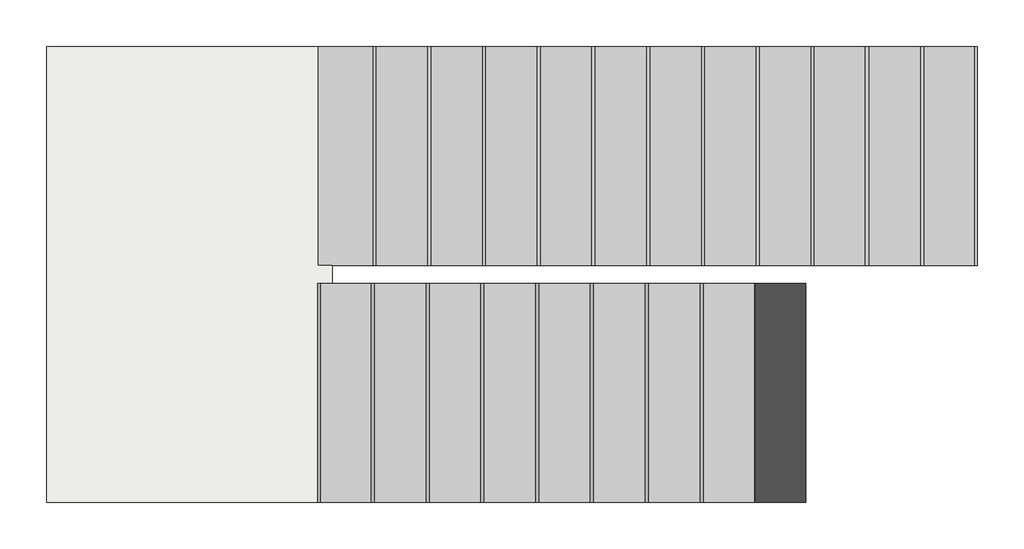
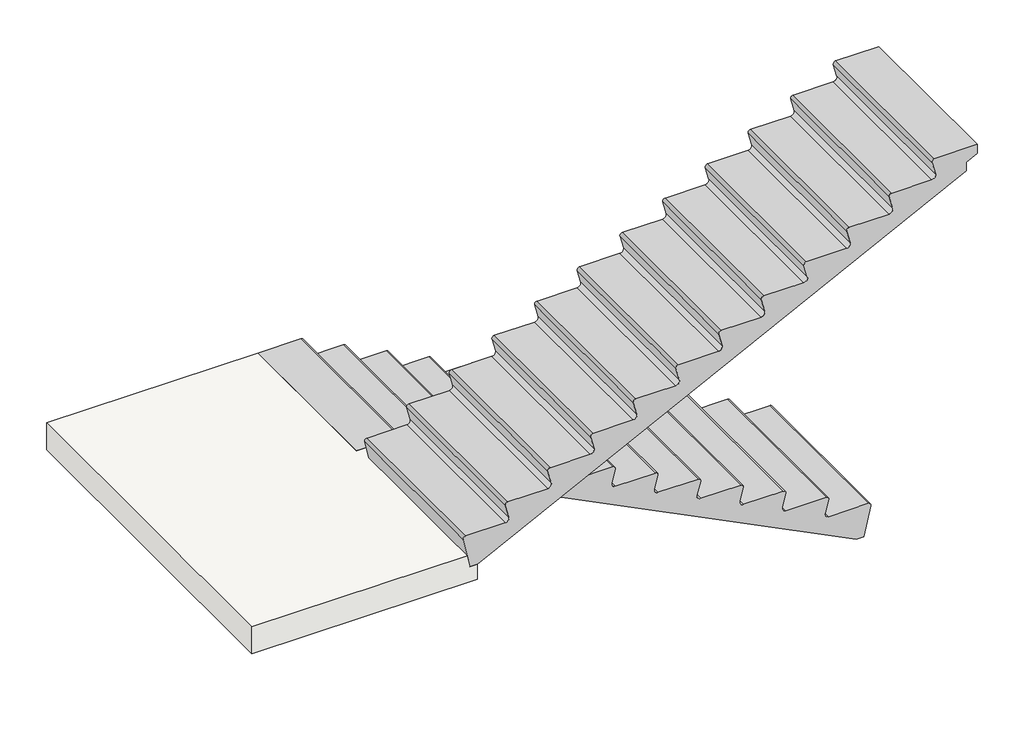
# One storey: 2 beams, 1 slab.
"""IFC4 building model written with IfcOpenShell, lengths in millimetres."""

from ifc_helpers import new_model, si_unit, frame, origin, place, context, project, spatial, polyline, circle_curve, faceted_brep, element, save
from ifc_brep_helpers import plane_surface, cylinder_surface, revolved_surface, advanced_brep

model = new_model("IFC4")

# Units and contexts
model_context = context("Model", 3, world=origin())
ifc_project = project(units=[si_unit("LENGTHUNIT", "METRE", prefix="MILLI")], contexts=[model_context])

# Site, building, storey
site = spatial("IfcSite", under=ifc_project)
building = spatial("IfcBuilding", under=site)
storey = spatial("IfcBuildingStorey", under=building, Elevation=1765.0)

# Beams
placement = place(None, origin())
element("IfcBeam", 1, at=placement, inside=storey, context=model_context, shape_type="AdvancedBrep", body=[
    advanced_brep(
    [(6795.0278191, 13422.6573753, 2192.4989013), (6795.0278191, 12222.6573753, 2192.4989013), (6812.4559604, 12222.6573753, 2215.0), (6812.4559604, 13422.6573753, 2215.0), (6819.6797218, 13422.6573753, 2097.3057005), (6819.6797218, 12222.6573753, 2097.3057005), (6512.4559604, 13422.6573753, 2065.0), (6512.4559604, 12222.6573753, 2065.0), (6794.4559604, 12222.6573753, 2065.0), (6794.4559604, 13422.6573753, 2065.0), (6519.6797218, 13422.6573753, 1947.3057005), (6519.6797218, 12222.6573753, 1947.3057005), (6495.0278191, 12222.6573753, 2042.4989013), (6495.0278191, 13422.6573753, 2042.4989013), (6216.8948506, 13422.6573753, 1915.0), (6216.8948506, 12222.6573753, 1915.0), (6494.4559604, 12222.6573753, 1915.0), (6494.4559604, 13422.6573753, 1915.0), (6199.4667092, 12222.6573753, 1892.4989015), (6227.8593217, 12222.6573753, 1765.0), (6247.4559604, 12222.6573753, 1677.0), (6299.4559604, 12222.6573753, 1677.0), (9734.4559604, 12222.6573753, 3396.0), (9734.4559604, 12222.6573753, 3461.0), (9814.4559604, 12222.6573753, 3500.0), (9814.4559604, 12222.6573753, 3565.0), (9512.4559604, 12222.6573753, 3565.0), (9495.0278191, 12222.6573753, 3542.4989013), (9519.6797218, 12222.6573753, 3447.3057005), (9494.4559604, 12222.6573753, 3415.0), (9212.4559604, 12222.6573753, 3415.0), (9195.0278191, 12222.6573753, 3392.4989013), (9219.6797218, 12222.6573753, 3297.3057005), (9194.4559604, 12222.6573753, 3265.0), (8912.4559604, 12222.6573753, 3265.0), (8895.0278191, 12222.6573753, 3242.4989013), (8919.6797218, 12222.6573753, 3147.3057005), (8894.4559604, 12222.6573753, 3115.0), (8612.4559604, 12222.6573753, 3115.0), (8595.0278191, 12222.6573753, 3092.4989013), (8619.6797218, 12222.6573753, 2997.3057005), (8594.4559604, 12222.6573753, 2965.0), (8312.4559604, 12222.6573753, 2965.0), (8295.0278191, 12222.6573753, 2942.4989013), (8319.6797218, 12222.6573753, 2847.3057005), (8294.4559604, 12222.6573753, 2815.0), (8012.4559604, 12222.6573753, 2815.0), (7995.0278191, 12222.6573753, 2792.4989013), (8019.6797218, 12222.6573753, 2697.3057005), (7994.4559604, 12222.6573753, 2665.0), (7712.4559604, 12222.6573753, 2665.0), (7695.0278191, 12222.6573753, 2642.4989013), (7719.6797218, 12222.6573753, 2547.3057005), (7694.4559604, 12222.6573753, 2515.0), (7412.4559604, 12222.6573753, 2515.0), (7395.0278191, 12222.6573753, 2492.4989013), (7419.6797218, 12222.6573753, 2397.3057005), (7394.4559604, 12222.6573753, 2365.0), (7112.4559604, 12222.6573753, 2365.0), (7095.0278191, 12222.6573753, 2342.4989013), (7119.6797218, 12222.6573753, 2247.3057005), (7094.4559604, 12222.6573753, 2215.0), (7094.4559604, 13422.6573753, 2215.0), (7119.6797218, 13422.6573753, 2247.3057005), (7095.0278191, 13422.6573753, 2342.4989013), (7112.4559604, 13422.6573753, 2365.0), (7394.4559604, 13422.6573753, 2365.0), (7419.6797218, 13422.6573753, 2397.3057005), (7395.0278191, 13422.6573753, 2492.4989013), (7412.4559604, 13422.6573753, 2515.0), (7694.4559604, 13422.6573753, 2515.0), (7719.6797218, 13422.6573753, 2547.3057005), (7695.0278191, 13422.6573753, 2642.4989013), (7712.4559604, 13422.6573753, 2665.0), (7994.4559604, 13422.6573753, 2665.0), (8019.6797218, 13422.6573753, 2697.3057005), (7995.0278191, 13422.6573753, 2792.4989013), (8012.4559604, 13422.6573753, 2815.0), (8294.4559604, 13422.6573753, 2815.0), (8319.6797218, 13422.6573753, 2847.3057005), (8295.0278191, 13422.6573753, 2942.4989013), (8312.4559604, 13422.6573753, 2965.0), (8594.4559604, 13422.6573753, 2965.0), (8619.6797218, 13422.6573753, 2997.3057005), (8595.0278191, 13422.6573753, 3092.4989013), (8612.4559604, 13422.6573753, 3115.0), (8894.4559604, 13422.6573753, 3115.0), (8919.6797218, 13422.6573753, 3147.3057005), (8895.0278191, 13422.6573753, 3242.4989013), (8912.4559604, 13422.6573753, 3265.0), (9194.4559604, 13422.6573753, 3265.0), (9219.6797218, 13422.6573753, 3297.3057005), (9195.0278191, 13422.6573753, 3392.4989013), (9212.4559604, 13422.6573753, 3415.0), (9494.4559604, 13422.6573753, 3415.0), (9519.6797218, 13422.6573753, 3447.3057005), (9495.0278191, 13422.6573753, 3542.4989013), (9512.4559604, 13422.6573753, 3565.0), (9814.4559604, 13422.6573753, 3565.0), (9814.4559604, 13422.6573753, 3500.0), (9734.4559604, 13422.6573753, 3461.0), (9734.4559604, 13422.6573753, 3396.0), (6299.4559604, 13422.6573753, 1677.0), (6278.8948506, 13422.6573753, 1677.0), (6247.4559604, 13422.6573753, 1677.0), (6227.8593217, 13422.6573753, 1765.0), (6199.4667092, 13422.6573753, 1892.4989015)],
    [
        (0, 1),
        (1, 2, circle_curve(frame((6812.4559604, 12222.6573753, 2197.0), z_axis=(0.0, 1.0, 0.0), x_axis=(1.0, 0.0, 0.0)), 18.0)),
        (2, 3),
        (3, 0, circle_curve(frame((6812.4559604, 13422.6573753, 2197.0), z_axis=(0.0, -1.0, 0.0), x_axis=(1.0, 0.0, 0.0)), 18.0)),
        (4, 5),
        (5, 1),
        (0, 4),
        (6, 7),
        (7, 8),
        (8, 9),
        (9, 6),
        (10, 11),
        (11, 12),
        (12, 13),
        (13, 10),
        (14, 15),
        (15, 16),
        (16, 17),
        (17, 14),
        (15, 18, circle_curve(frame((6216.8948506, 12222.6573753, 1897.0), z_axis=(0.0, -1.0, 0.0), x_axis=(1.0, 0.0, 0.0)), 18.0)),
        (18, 19),
        (19, 20),
        (20, 21),
        (21, 22),
        (22, 23),
        (23, 24),
        (24, 25),
        (25, 26),
        (26, 27, circle_curve(frame((9512.4559604, 12222.6573753, 3547.0), z_axis=(0.0, -1.0, 0.0), x_axis=(1.0, 0.0, 0.0)), 18.0)),
        (27, 28),
        (28, 29, circle_curve(frame((9494.4559604, 12222.6573753, 3441.0), z_axis=(0.0, 1.0, 0.0), x_axis=(1.0, 0.0, 0.0)), 26.0)),
        (29, 30),
        (30, 31, circle_curve(frame((9212.4559604, 12222.6573753, 3397.0), z_axis=(0.0, -1.0, 0.0), x_axis=(1.0, 0.0, 0.0)), 18.0)),
        (31, 32),
        (32, 33, circle_curve(frame((9194.4559604, 12222.6573753, 3291.0), z_axis=(0.0, 1.0, 0.0), x_axis=(1.0, 0.0, 0.0)), 26.0)),
        (33, 34),
        (34, 35, circle_curve(frame((8912.4559604, 12222.6573753, 3247.0), z_axis=(0.0, -1.0, 0.0), x_axis=(1.0, 0.0, 0.0)), 18.0)),
        (35, 36),
        (36, 37, circle_curve(frame((8894.4559604, 12222.6573753, 3141.0), z_axis=(0.0, 1.0, 0.0), x_axis=(1.0, 0.0, 0.0)), 26.0)),
        (37, 38),
        (38, 39, circle_curve(frame((8612.4559604, 12222.6573753, 3097.0), z_axis=(0.0, -1.0, 0.0), x_axis=(1.0, 0.0, 0.0)), 18.0)),
        (39, 40),
        (40, 41, circle_curve(frame((8594.4559604, 12222.6573753, 2991.0), z_axis=(0.0, 1.0, 0.0), x_axis=(1.0, 0.0, 0.0)), 26.0)),
        (41, 42),
        (42, 43, circle_curve(frame((8312.4559604, 12222.6573753, 2947.0), z_axis=(0.0, -1.0, 0.0), x_axis=(1.0, 0.0, 0.0)), 18.0)),
        (43, 44),
        (44, 45, circle_curve(frame((8294.4559604, 12222.6573753, 2841.0), z_axis=(0.0, 1.0, 0.0), x_axis=(1.0, 0.0, 0.0)), 26.0)),
        (45, 46),
        (46, 47, circle_curve(frame((8012.4559604, 12222.6573753, 2797.0), z_axis=(0.0, -1.0, 0.0), x_axis=(1.0, 0.0, 0.0)), 18.0)),
        (47, 48),
        (48, 49, circle_curve(frame((7994.4559604, 12222.6573753, 2691.0), z_axis=(0.0, 1.0, 0.0), x_axis=(1.0, 0.0, 0.0)), 26.0)),
        (49, 50),
        (50, 51, circle_curve(frame((7712.4559604, 12222.6573753, 2647.0), z_axis=(0.0, -1.0, 0.0), x_axis=(1.0, 0.0, 0.0)), 18.0)),
        (51, 52),
        (52, 53, circle_curve(frame((7694.4559604, 12222.6573753, 2541.0), z_axis=(0.0, 1.0, 0.0), x_axis=(1.0, 0.0, 0.0)), 26.0)),
        (53, 54),
        (54, 55, circle_curve(frame((7412.4559604, 12222.6573753, 2497.0), z_axis=(0.0, -1.0, 0.0), x_axis=(1.0, 0.0, 0.0)), 18.0)),
        (55, 56),
        (56, 57, circle_curve(frame((7394.4559604, 12222.6573753, 2391.0), z_axis=(0.0, 1.0, 0.0), x_axis=(1.0, 0.0, 0.0)), 26.0)),
        (57, 58),
        (58, 59, circle_curve(frame((7112.4559604, 12222.6573753, 2347.0), z_axis=(0.0, -1.0, 0.0), x_axis=(1.0, 0.0, 0.0)), 18.0)),
        (59, 60),
        (60, 61, circle_curve(frame((7094.4559604, 12222.6573753, 2241.0), z_axis=(0.0, 1.0, 0.0), x_axis=(1.0, 0.0, 0.0)), 26.0)),
        (61, 2),
        (5, 8, circle_curve(frame((6794.4559604, 12222.6573753, 2091.0), z_axis=(0.0, 1.0, 0.0), x_axis=(1.0, 0.0, 0.0)), 26.0)),
        (7, 12, circle_curve(frame((6512.4559604, 12222.6573753, 2047.0), z_axis=(0.0, -1.0, 0.0), x_axis=(1.0, 0.0, 0.0)), 18.0)),
        (11, 16, circle_curve(frame((6494.4559604, 12222.6573753, 1941.0), z_axis=(0.0, 1.0, 0.0), x_axis=(1.0, 0.0, 0.0)), 26.0)),
        (17, 10, circle_curve(frame((6494.4559604, 13422.6573753, 1941.0), z_axis=(0.0, -1.0, 0.0), x_axis=(1.0, 0.0, 0.0)), 26.0)),
        (13, 6, circle_curve(frame((6512.4559604, 13422.6573753, 2047.0), z_axis=(0.0, 1.0, 0.0), x_axis=(1.0, 0.0, 0.0)), 18.0)),
        (9, 4, circle_curve(frame((6794.4559604, 13422.6573753, 2091.0), z_axis=(0.0, -1.0, 0.0), x_axis=(1.0, 0.0, 0.0)), 26.0)),
        (3, 62),
        (62, 63, circle_curve(frame((7094.4559604, 13422.6573753, 2241.0), z_axis=(0.0, -1.0, 0.0), x_axis=(1.0, 0.0, 0.0)), 26.0)),
        (63, 64),
        (64, 65, circle_curve(frame((7112.4559604, 13422.6573753, 2347.0), z_axis=(0.0, 1.0, 0.0), x_axis=(1.0, 0.0, 0.0)), 18.0)),
        (65, 66),
        (66, 67, circle_curve(frame((7394.4559604, 13422.6573753, 2391.0), z_axis=(0.0, -1.0, 0.0), x_axis=(1.0, 0.0, 0.0)), 26.0)),
        (67, 68),
        (68, 69, circle_curve(frame((7412.4559604, 13422.6573753, 2497.0), z_axis=(0.0, 1.0, 0.0), x_axis=(1.0, 0.0, 0.0)), 18.0)),
        (69, 70),
        (70, 71, circle_curve(frame((7694.4559604, 13422.6573753, 2541.0), z_axis=(0.0, -1.0, 0.0), x_axis=(1.0, 0.0, 0.0)), 26.0)),
        (71, 72),
        (72, 73, circle_curve(frame((7712.4559604, 13422.6573753, 2647.0), z_axis=(0.0, 1.0, 0.0), x_axis=(1.0, 0.0, 0.0)), 18.0)),
        (73, 74),
        (74, 75, circle_curve(frame((7994.4559604, 13422.6573753, 2691.0), z_axis=(0.0, -1.0, 0.0), x_axis=(1.0, 0.0, 0.0)), 26.0)),
        (75, 76),
        (76, 77, circle_curve(frame((8012.4559604, 13422.6573753, 2797.0), z_axis=(0.0, 1.0, 0.0), x_axis=(1.0, 0.0, 0.0)), 18.0)),
        (77, 78),
        (78, 79, circle_curve(frame((8294.4559604, 13422.6573753, 2841.0), z_axis=(0.0, -1.0, 0.0), x_axis=(1.0, 0.0, 0.0)), 26.0)),
        (79, 80),
        (80, 81, circle_curve(frame((8312.4559604, 13422.6573753, 2947.0), z_axis=(0.0, 1.0, 0.0), x_axis=(1.0, 0.0, 0.0)), 18.0)),
        (81, 82),
        (82, 83, circle_curve(frame((8594.4559604, 13422.6573753, 2991.0), z_axis=(0.0, -1.0, 0.0), x_axis=(1.0, 0.0, 0.0)), 26.0)),
        (83, 84),
        (84, 85, circle_curve(frame((8612.4559604, 13422.6573753, 3097.0), z_axis=(0.0, 1.0, 0.0), x_axis=(1.0, 0.0, 0.0)), 18.0)),
        (85, 86),
        (86, 87, circle_curve(frame((8894.4559604, 13422.6573753, 3141.0), z_axis=(0.0, -1.0, 0.0), x_axis=(1.0, 0.0, 0.0)), 26.0)),
        (87, 88),
        (88, 89, circle_curve(frame((8912.4559604, 13422.6573753, 3247.0), z_axis=(0.0, 1.0, 0.0), x_axis=(1.0, 0.0, 0.0)), 18.0)),
        (89, 90),
        (90, 91, circle_curve(frame((9194.4559604, 13422.6573753, 3291.0), z_axis=(0.0, -1.0, 0.0), x_axis=(1.0, 0.0, 0.0)), 26.0)),
        (91, 92),
        (92, 93, circle_curve(frame((9212.4559604, 13422.6573753, 3397.0), z_axis=(0.0, 1.0, 0.0), x_axis=(1.0, 0.0, 0.0)), 18.0)),
        (93, 94),
        (94, 95, circle_curve(frame((9494.4559604, 13422.6573753, 3441.0), z_axis=(0.0, -1.0, 0.0), x_axis=(1.0, 0.0, 0.0)), 26.0)),
        (95, 96),
        (96, 97, circle_curve(frame((9512.4559604, 13422.6573753, 3547.0), z_axis=(0.0, 1.0, 0.0), x_axis=(1.0, 0.0, 0.0)), 18.0)),
        (97, 98),
        (98, 99),
        (99, 100),
        (100, 101),
        (101, 102),
        (102, 103),
        (103, 104),
        (104, 105),
        (105, 106),
        (106, 14, circle_curve(frame((6216.8948506, 13422.6573753, 1897.0), z_axis=(0.0, 1.0, 0.0), x_axis=(1.0, 0.0, 0.0)), 18.0)),
        (106, 18),
        (104, 20),
        (102, 21),
        (101, 22),
        (80, 43),
        (42, 81),
        (79, 44),
        (78, 45),
        (77, 46),
        (76, 47),
        (75, 48),
        (74, 49),
        (73, 50),
        (72, 51),
        (71, 52),
        (70, 53),
        (69, 54),
        (68, 55),
        (67, 56),
        (66, 57),
        (65, 58),
        (64, 59),
        (63, 60),
        (62, 61),
        (100, 23),
        (99, 24),
        (98, 25),
        (97, 26),
        (96, 27),
        (95, 28),
        (94, 29),
        (93, 30),
        (92, 31),
        (91, 32),
        (90, 33),
        (89, 34),
        (88, 35),
        (87, 36),
        (86, 37),
        (85, 38),
        (84, 39),
        (83, 40),
        (82, 41),
    ],
    [
        cylinder_surface(frame((6812.4559604, 12222.6573753, 2197.0), z_axis=(0.0, 1.0, 0.0), x_axis=(1.0, 0.0, 0.0)), 18.0),
        plane_surface(frame((6795.0278191, 13422.6573753, 2192.4989013), z_axis=(-0.9680655805743292, 0.0, -0.25069709154133973), x_axis=(0.0, -1.0, 0.0))),
        plane_surface(frame((6794.4559604, 13422.6573753, 2065.0), z_axis=(0.0, 0.0, 1.0), x_axis=(0.0, -1.0, 0.0))),
        plane_surface(frame((6495.0278191, 13422.6573753, 2042.4989013), z_axis=(-0.9680655805743292, 0.0, -0.2506970915413397), x_axis=(0.0, -1.0, 0.0))),
        plane_surface(frame((6494.4559604, 13422.6573753, 1915.0), z_axis=(0.0, 0.0, 1.0), x_axis=(0.0, -1.0, 0.0))),
        plane_surface(frame((6234.8948506, 12222.6573753, 1897.0), z_axis=(0.0, -1.0, 0.0), x_axis=(0.0, 0.0, -1.0))),
        plane_surface(frame((6234.8948506, 13422.6573753, 1897.0), z_axis=(0.0, 1.0, 0.0), x_axis=(0.0, 0.0, 1.0))),
        cylinder_surface(frame((6216.8948506, 12222.6573753, 1897.0), z_axis=(0.0, 1.0, 0.0), x_axis=(1.0, 0.0, 0.0)), 18.0),
        plane_surface(frame((6199.4667092, 13422.6573753, 1892.4989015), z_axis=(-0.9760904642943716, 0.0, -0.21736468322521513), x_axis=(0.0, -1.0, 0.0))),
        plane_surface(frame((6247.4559604, 13422.6573753, 1677.0), z_axis=(0.0, 0.0, -1.0), x_axis=(0.0, -1.0, 0.0))),
        plane_surface(frame((6299.4559604, 13422.6573753, 1677.0), z_axis=(0.4475259772793069, 0.0, -0.8942709319105712), x_axis=(0.0, -1.0, 0.0))),
        cylinder_surface(frame((8312.4559604, 12222.6573753, 2947.0), z_axis=(0.0, 1.0, 0.0), x_axis=(1.0, 0.0, 0.0)), 18.0),
        plane_surface(frame((8295.0278191, 13422.6573753, 2942.4989013), z_axis=(-0.9680655805743293, 0.0, -0.2506970915413391), x_axis=(0.0, -1.0, 0.0))),
        revolved_surface(polyline([(8320.4559604, 12222.6573753, 2841.0), (8320.4559604, 13422.6573753, 2841.0)]), (8294.4559604, 12222.6573753, 2841.0), (0.0, -1.0, 0.0)),
        plane_surface(frame((8294.4559604, 13422.6573753, 2815.0), z_axis=(0.0, 0.0, 1.0), x_axis=(0.0, -1.0, 0.0))),
        cylinder_surface(frame((8012.4559604, 12222.6573753, 2797.0), z_axis=(0.0, 1.0, 0.0), x_axis=(1.0, 0.0, 0.0)), 18.0),
        plane_surface(frame((7995.0278191, 13422.6573753, 2792.4989013), z_axis=(-0.9680655805743292, 0.0, -0.25069709154133984), x_axis=(0.0, -1.0, 0.0))),
        revolved_surface(polyline([(8020.4559604, 12222.6573753, 2691.0), (8020.4559604, 13422.6573753, 2691.0)]), (7994.4559604, 12222.6573753, 2691.0), (0.0, -1.0, 0.0)),
        plane_surface(frame((7994.4559604, 13422.6573753, 2665.0), z_axis=(0.0, 0.0, 1.0), x_axis=(0.0, -1.0, 0.0))),
        cylinder_surface(frame((7712.4559604, 12222.6573753, 2647.0), z_axis=(0.0, 1.0, 0.0), x_axis=(1.0, 0.0, 0.0)), 18.0),
        plane_surface(frame((7695.0278191, 13422.6573753, 2642.4989013), z_axis=(-0.9680655805743295, 0.0, -0.2506970915413391), x_axis=(0.0, -1.0, 0.0))),
        revolved_surface(polyline([(7720.4559604, 12222.6573753, 2541.0), (7720.4559604, 13422.6573753, 2541.0)]), (7694.4559604, 12222.6573753, 2541.0), (0.0, -1.0, 0.0)),
        plane_surface(frame((7694.4559604, 13422.6573753, 2515.0), z_axis=(0.0, 0.0, 1.0), x_axis=(0.0, -1.0, 0.0))),
        cylinder_surface(frame((7412.4559604, 12222.6573753, 2497.0), z_axis=(0.0, 1.0, 0.0), x_axis=(1.0, 0.0, 0.0)), 18.0),
        plane_surface(frame((7395.0278191, 13422.6573753, 2492.4989013), z_axis=(-0.9680655805743296, 0.0, -0.2506970915413385), x_axis=(0.0, -1.0, 0.0))),
        revolved_surface(polyline([(7420.4559604, 12222.6573753, 2391.0), (7420.4559604, 13422.6573753, 2391.0)]), (7394.4559604, 12222.6573753, 2391.0), (0.0, -1.0, 0.0)),
        plane_surface(frame((7394.4559604, 13422.6573753, 2365.0), z_axis=(0.0, 0.0, 1.0), x_axis=(0.0, -1.0, 0.0))),
        cylinder_surface(frame((7112.4559604, 12222.6573753, 2347.0), z_axis=(0.0, 1.0, 0.0), x_axis=(1.0, 0.0, 0.0)), 18.0),
        plane_surface(frame((7095.0278191, 13422.6573753, 2342.4989013), z_axis=(-0.9680655805743293, 0.0, -0.2506970915413394), x_axis=(0.0, -1.0, 0.0))),
        revolved_surface(polyline([(7120.4559604, 12222.6573753, 2241.0), (7120.4559604, 13422.6573753, 2241.0)]), (7094.4559604, 12222.6573753, 2241.0), (0.0, -1.0, 0.0)),
        plane_surface(frame((7094.4559604, 13422.6573753, 2215.0), z_axis=(0.0, 0.0, 1.0), x_axis=(0.0, -1.0, 0.0))),
        revolved_surface(polyline([(6820.4559604, 12222.6573753, 2091.0), (6820.4559604, 13422.6573753, 2091.0)]), (6794.4559604, 12222.6573753, 2091.0), (0.0, -1.0, 0.0)),
        cylinder_surface(frame((6512.4559604, 12222.6573753, 2047.0), z_axis=(0.0, 1.0, 0.0), x_axis=(1.0, 0.0, 0.0)), 18.0),
        revolved_surface(polyline([(6520.4559604, 12222.6573753, 1941.0), (6520.4559604, 13422.6573753, 1941.0)]), (6494.4559604, 12222.6573753, 1941.0), (0.0, -1.0, 0.0)),
        plane_surface(frame((9734.4559604, 13422.6573753, 3396.0), z_axis=(1.0, 0.0, 0.0), x_axis=(0.0, -1.0, 0.0))),
        plane_surface(frame((9734.4559604, 13422.6573753, 3461.0), z_axis=(0.4382022471910084, 0.0, -0.8988764044943834), x_axis=(0.0, -1.0, 0.0))),
        plane_surface(frame((9814.4559604, 13422.6573753, 3500.0), z_axis=(1.0, 0.0, 0.0), x_axis=(0.0, -1.0, 0.0))),
        plane_surface(frame((9814.4559604, 13422.6573753, 3565.0), z_axis=(0.0, 0.0, 1.0), x_axis=(0.0, -1.0, 0.0))),
        cylinder_surface(frame((9512.4559604, 12222.6573753, 3547.0), z_axis=(0.0, 1.0, 0.0), x_axis=(1.0, 0.0, 0.0)), 18.0),
        plane_surface(frame((9495.0278191, 13422.6573753, 3542.4989013), z_axis=(-0.9680655805743265, 0.0, -0.25069709154135067), x_axis=(0.0, -1.0, 0.0))),
        revolved_surface(polyline([(9520.4559604, 12222.6573753, 3441.0), (9520.4559604, 13422.6573753, 3441.0)]), (9494.4559604, 12222.6573753, 3441.0), (0.0, -1.0, 0.0)),
        plane_surface(frame((9494.4559604, 13422.6573753, 3415.0), z_axis=(0.0, 0.0, 1.0), x_axis=(0.0, -1.0, 0.0))),
        cylinder_surface(frame((9212.4559604, 12222.6573753, 3397.0), z_axis=(0.0, 1.0, 0.0), x_axis=(1.0, 0.0, 0.0)), 18.0),
        plane_surface(frame((9195.0278191, 13422.6573753, 3392.4989013), z_axis=(-0.9680655805743282, 0.0, -0.25069709154134395), x_axis=(0.0, -1.0, 0.0))),
        revolved_surface(polyline([(9220.4559604, 12222.6573753, 3291.0), (9220.4559604, 13422.6573753, 3291.0)]), (9194.4559604, 12222.6573753, 3291.0), (0.0, -1.0, 0.0)),
        plane_surface(frame((9194.4559604, 13422.6573753, 3265.0), z_axis=(0.0, 0.0, 1.0), x_axis=(0.0, -1.0, 0.0))),
        cylinder_surface(frame((8912.4559604, 12222.6573753, 3247.0), z_axis=(0.0, 1.0, 0.0), x_axis=(1.0, 0.0, 0.0)), 18.0),
        plane_surface(frame((8895.0278191, 13422.6573753, 3242.4989013), z_axis=(-0.9680655805743283, 0.0, -0.2506970915413435), x_axis=(0.0, -1.0, 0.0))),
        revolved_surface(polyline([(8920.4559604, 12222.6573753, 3141.0), (8920.4559604, 13422.6573753, 3141.0)]), (8894.4559604, 12222.6573753, 3141.0), (0.0, -1.0, 0.0)),
        plane_surface(frame((8894.4559604, 13422.6573753, 3115.0), z_axis=(0.0, 0.0, 1.0), x_axis=(0.0, -1.0, 0.0))),
        cylinder_surface(frame((8612.4559604, 12222.6573753, 3097.0), z_axis=(0.0, 1.0, 0.0), x_axis=(1.0, 0.0, 0.0)), 18.0),
        plane_surface(frame((8595.0278191, 13422.6573753, 3092.4989013), z_axis=(-0.9680655805743296, 0.0, -0.25069709154133857), x_axis=(0.0, -1.0, 0.0))),
        revolved_surface(polyline([(8620.4559604, 12222.6573753, 2991.0), (8620.4559604, 13422.6573753, 2991.0)]), (8594.4559604, 12222.6573753, 2991.0), (0.0, -1.0, 0.0)),
        plane_surface(frame((8594.4559604, 13422.6573753, 2965.0), z_axis=(0.0, 0.0, 1.0), x_axis=(0.0, -1.0, 0.0))),
    ],
    [
        (0, [[1, 2, 3, 4]]),
        (1, [[5, 6, -1, 7]]),
        (2, [[8, 9, 10, 11]]),
        (3, [[12, 13, 14, 15]]),
        (4, [[16, 17, 18, 19]]),
        (5, [[20, 21, 22, 23, 24, 25, 26, 27, 28, 29, 30, 31, 32, 33, 34, 35, 36, 37, 38, 39, 40, 41, 42, 43, 44, 45, 46, 47, 48, 49, 50, 51, 52, 53, 54, 55, 56, 57, 58, 59, 60, 61, 62, 63, 64, -2, -6, 65, -9, 66, -13, 67, -17]]),
        (6, [[-19, 68, -15, 69, -11, 70, -7, -4, 71, 72, 73, 74, 75, 76, 77, 78, 79, 80, 81, 82, 83, 84, 85, 86, 87, 88, 89, 90, 91, 92, 93, 94, 95, 96, 97, 98, 99, 100, 101, 102, 103, 104, 105, 106, 107, 108, 109, 110, 111, 112, 113, 114, 115, 116]]),
        (7, [[117, -20, -16, -116]]),
        (8, [[118, -22, -21, -117, -115, -114]]),
        (9, [[119, -23, -118, -113, -112]]),
        (10, [[120, -24, -119, -111]]),
        (11, [[121, -45, 122, -90]]),
        (12, [[123, -46, -121, -89]]),
        (13, [[124, -47, -123, -88]]),
        (14, [[125, -48, -124, -87]]),
        (15, [[126, -49, -125, -86]]),
        (16, [[127, -50, -126, -85]]),
        (17, [[128, -51, -127, -84]]),
        (18, [[129, -52, -128, -83]]),
        (19, [[130, -53, -129, -82]]),
        (20, [[131, -54, -130, -81]]),
        (21, [[132, -55, -131, -80]]),
        (22, [[133, -56, -132, -79]]),
        (23, [[134, -57, -133, -78]]),
        (24, [[135, -58, -134, -77]]),
        (25, [[136, -59, -135, -76]]),
        (26, [[137, -60, -136, -75]]),
        (27, [[138, -61, -137, -74]]),
        (28, [[139, -62, -138, -73]]),
        (29, [[140, -63, -139, -72]]),
        (30, [[-3, -64, -140, -71]]),
        (31, [[-10, -65, -5, -70]]),
        (32, [[-14, -66, -8, -69]]),
        (33, [[-18, -67, -12, -68]]),
        (34, [[141, -25, -120, -110]]),
        (35, [[142, -26, -141, -109]]),
        (36, [[143, -27, -142, -108]]),
        (37, [[144, -28, -143, -107]]),
        (38, [[145, -29, -144, -106]]),
        (39, [[146, -30, -145, -105]]),
        (40, [[147, -31, -146, -104]]),
        (41, [[148, -32, -147, -103]]),
        (42, [[149, -33, -148, -102]]),
        (43, [[150, -34, -149, -101]]),
        (44, [[151, -35, -150, -100]]),
        (45, [[152, -36, -151, -99]]),
        (46, [[153, -37, -152, -98]]),
        (47, [[154, -38, -153, -97]]),
        (48, [[155, -39, -154, -96]]),
        (49, [[156, -40, -155, -95]]),
        (50, [[157, -41, -156, -94]]),
        (51, [[158, -42, -157, -93]]),
        (52, [[159, -43, -158, -92]]),
        (53, [[-122, -44, -159, -91]]),
    ],
),
])
element("IfcBeam", 2, at=placement, inside=storey, context=model_context, shape_type="AdvancedBrep", body=[
    advanced_brep(
    [(9218.322992, 14722.6573753, 392.4989013), (9200.8948506, 14722.6573753, 415.0), (9200.8948506, 13522.6573753, 415.0), (9218.322992, 13522.6573753, 392.4989013), (9193.6710892, 14722.6573753, 297.3057005), (9193.6710892, 13522.6573753, 297.3057005), (9500.8948506, 14722.6573753, 265.0), (9218.8948506, 14722.6573753, 265.0), (9218.8948506, 13522.6573753, 265.0), (9500.8948506, 13522.6573753, 265.0), (9493.6710892, 14722.6573753, 147.3057005), (9518.322992, 14722.6573753, 242.4989013), (9518.322992, 13522.6573753, 242.4989013), (9493.6710892, 13522.6573753, 147.3057005), (9796.4559604, 14722.6573753, 115.0), (9518.8948506, 14722.6573753, 115.0), (9518.8948506, 13522.6573753, 115.0), (9796.4559604, 13522.6573753, 115.0), (8918.8948506, 13522.6573753, 415.0), (8893.6710892, 13522.6573753, 447.3057005), (8918.322992, 13522.6573753, 542.4989013), (8900.8948506, 13522.6573753, 565.0), (8618.8948506, 13522.6573753, 565.0), (8593.6710892, 13522.6573753, 597.3057005), (8618.322992, 13522.6573753, 692.4989013), (8600.8948506, 13522.6573753, 715.0), (8318.8948506, 13522.6573753, 715.0), (8293.6710892, 13522.6573753, 747.3057005), (8318.322992, 13522.6573753, 842.4989013), (8300.8948506, 13522.6573753, 865.0), (8018.8948506, 13522.6573753, 865.0), (7993.6710892, 13522.6573753, 897.3057005), (8018.322992, 13522.6573753, 992.4989013), (8000.8948506, 13522.6573753, 1015.0), (7718.8948506, 13522.6573753, 1015.0), (7693.6710892, 13522.6573753, 1047.3057005), (7718.322992, 13522.6573753, 1142.4989013), (7700.8948506, 13522.6573753, 1165.0), (7418.8948506, 13522.6573753, 1165.0), (7393.6710892, 13522.6573753, 1197.3057005), (7418.322992, 13522.6573753, 1292.4989013), (7400.8948506, 13522.6573753, 1315.0), (7118.8948506, 13522.6573753, 1315.0), (7093.6710892, 13522.6573753, 1347.3057005), (7118.322992, 13522.6573753, 1442.4989013), (7100.8948506, 13522.6573753, 1465.0), (6818.8948506, 13522.6573753, 1465.0), (6793.6710892, 13522.6573753, 1497.3057005), (6818.322992, 13522.6573753, 1592.4989013), (6800.8948506, 13522.6573753, 1615.0), (6518.8948506, 13522.6573753, 1615.0), (6493.6710892, 13522.6573753, 1647.3057005), (6518.322992, 13522.6573753, 1742.4989013), (6500.8948506, 13522.6573753, 1765.0), (6278.8948506, 13522.6573753, 1765.0), (6198.8948506, 13522.6573753, 1765.0), (6198.8948506, 13522.6573753, 1700.0), (6278.8948506, 13522.6573753, 1661.0), (6278.8948506, 13522.6573753, 1596.0), (9713.8948506, 13522.6573753, -123.0), (9765.8948506, 13522.6573753, -123.0), (9813.8841018, 13522.6573753, 92.4989015), (9813.8841018, 14722.6573753, 92.4989015), (9765.8948506, 14722.6573753, -123.0), (9713.8948506, 14722.6573753, -123.0), (6278.8948506, 14722.6573753, 1596.0), (6278.8948506, 14722.6573753, 1661.0), (6198.8948506, 14722.6573753, 1700.0), (6198.8948506, 14722.6573753, 1765.0), (6500.8948506, 14722.6573753, 1765.0), (6518.322992, 14722.6573753, 1742.4989013), (6493.6710892, 14722.6573753, 1647.3057005), (6518.8948506, 14722.6573753, 1615.0), (6800.8948506, 14722.6573753, 1615.0), (6818.322992, 14722.6573753, 1592.4989013), (6793.6710892, 14722.6573753, 1497.3057005), (6818.8948506, 14722.6573753, 1465.0), (7100.8948506, 14722.6573753, 1465.0), (7118.322992, 14722.6573753, 1442.4989013), (7093.6710892, 14722.6573753, 1347.3057005), (7118.8948506, 14722.6573753, 1315.0), (7400.8948506, 14722.6573753, 1315.0), (7418.322992, 14722.6573753, 1292.4989013), (7393.6710892, 14722.6573753, 1197.3057005), (7418.8948506, 14722.6573753, 1165.0), (7700.8948506, 14722.6573753, 1165.0), (7718.322992, 14722.6573753, 1142.4989013), (7693.6710892, 14722.6573753, 1047.3057005), (7718.8948506, 14722.6573753, 1015.0), (8000.8948506, 14722.6573753, 1015.0), (8018.322992, 14722.6573753, 992.4989013), (7993.6710892, 14722.6573753, 897.3057005), (8018.8948506, 14722.6573753, 865.0), (8300.8948506, 14722.6573753, 865.0), (8318.322992, 14722.6573753, 842.4989013), (8293.6710892, 14722.6573753, 747.3057005), (8318.8948506, 14722.6573753, 715.0), (8600.8948506, 14722.6573753, 715.0), (8618.322992, 14722.6573753, 692.4989013), (8593.6710892, 14722.6573753, 597.3057005), (8618.8948506, 14722.6573753, 565.0), (8900.8948506, 14722.6573753, 565.0), (8918.322992, 14722.6573753, 542.4989013), (8893.6710892, 14722.6573753, 447.3057005), (8918.8948506, 14722.6573753, 415.0)],
    [
        (0, 1, circle_curve(frame((9200.8948506, 14722.6573753, 397.0), z_axis=(0.0, -1.0, 0.0), x_axis=(-1.0, 0.0, 0.0)), 18.0)),
        (1, 2),
        (2, 3, circle_curve(frame((9200.8948506, 13522.6573753, 397.0), z_axis=(0.0, 1.0, 0.0), x_axis=(-1.0, 0.0, 0.0)), 18.0)),
        (3, 0),
        (4, 0),
        (3, 5),
        (5, 4),
        (6, 7),
        (7, 8),
        (8, 9),
        (9, 6),
        (10, 11),
        (11, 12),
        (12, 13),
        (13, 10),
        (14, 15),
        (15, 16),
        (16, 17),
        (17, 14),
        (16, 13, circle_curve(frame((9518.8948506, 13522.6573753, 141.0), z_axis=(0.0, 1.0, 0.0), x_axis=(-1.0, 0.0, 0.0)), 26.0)),
        (12, 9, circle_curve(frame((9500.8948506, 13522.6573753, 247.0), z_axis=(0.0, -1.0, 0.0), x_axis=(-1.0, 0.0, 0.0)), 18.0)),
        (8, 5, circle_curve(frame((9218.8948506, 13522.6573753, 291.0), z_axis=(0.0, 1.0, 0.0), x_axis=(-1.0, 0.0, 0.0)), 26.0)),
        (2, 18),
        (18, 19, circle_curve(frame((8918.8948506, 13522.6573753, 441.0), z_axis=(0.0, 1.0, 0.0), x_axis=(-1.0, 0.0, 0.0)), 26.0)),
        (19, 20),
        (20, 21, circle_curve(frame((8900.8948506, 13522.6573753, 547.0), z_axis=(0.0, -1.0, 0.0), x_axis=(-1.0, 0.0, 0.0)), 18.0)),
        (21, 22),
        (22, 23, circle_curve(frame((8618.8948506, 13522.6573753, 591.0), z_axis=(0.0, 1.0, 0.0), x_axis=(-1.0, 0.0, 0.0)), 26.0)),
        (23, 24),
        (24, 25, circle_curve(frame((8600.8948506, 13522.6573753, 697.0), z_axis=(0.0, -1.0, 0.0), x_axis=(-1.0, 0.0, 0.0)), 18.0)),
        (25, 26),
        (26, 27, circle_curve(frame((8318.8948506, 13522.6573753, 741.0), z_axis=(0.0, 1.0, 0.0), x_axis=(-1.0, 0.0, 0.0)), 26.0)),
        (27, 28),
        (28, 29, circle_curve(frame((8300.8948506, 13522.6573753, 847.0), z_axis=(0.0, -1.0, 0.0), x_axis=(-1.0, 0.0, 0.0)), 18.0)),
        (29, 30),
        (30, 31, circle_curve(frame((8018.8948506, 13522.6573753, 891.0), z_axis=(0.0, 1.0, 0.0), x_axis=(-1.0, 0.0, 0.0)), 26.0)),
        (31, 32),
        (32, 33, circle_curve(frame((8000.8948506, 13522.6573753, 997.0), z_axis=(0.0, -1.0, 0.0), x_axis=(-1.0, 0.0, 0.0)), 18.0)),
        (33, 34),
        (34, 35, circle_curve(frame((7718.8948506, 13522.6573753, 1041.0), z_axis=(0.0, 1.0, 0.0), x_axis=(-1.0, 0.0, 0.0)), 26.0)),
        (35, 36),
        (36, 37, circle_curve(frame((7700.8948506, 13522.6573753, 1147.0), z_axis=(0.0, -1.0, 0.0), x_axis=(-1.0, 0.0, 0.0)), 18.0)),
        (37, 38),
        (38, 39, circle_curve(frame((7418.8948506, 13522.6573753, 1191.0), z_axis=(0.0, 1.0, 0.0), x_axis=(-1.0, 0.0, 0.0)), 26.0)),
        (39, 40),
        (40, 41, circle_curve(frame((7400.8948506, 13522.6573753, 1297.0), z_axis=(0.0, -1.0, 0.0), x_axis=(-1.0, 0.0, 0.0)), 18.0)),
        (41, 42),
        (42, 43, circle_curve(frame((7118.8948506, 13522.6573753, 1341.0), z_axis=(0.0, 1.0, 0.0), x_axis=(-1.0, 0.0, 0.0)), 26.0)),
        (43, 44),
        (44, 45, circle_curve(frame((7100.8948506, 13522.6573753, 1447.0), z_axis=(0.0, -1.0, 0.0), x_axis=(-1.0, 0.0, 0.0)), 18.0)),
        (45, 46),
        (46, 47, circle_curve(frame((6818.8948506, 13522.6573753, 1491.0), z_axis=(0.0, 1.0, 0.0), x_axis=(-1.0, 0.0, 0.0)), 26.0)),
        (47, 48),
        (48, 49, circle_curve(frame((6800.8948506, 13522.6573753, 1597.0), z_axis=(0.0, -1.0, 0.0), x_axis=(-1.0, 0.0, 0.0)), 18.0)),
        (49, 50),
        (50, 51, circle_curve(frame((6518.8948506, 13522.6573753, 1641.0), z_axis=(0.0, 1.0, 0.0), x_axis=(-1.0, 0.0, 0.0)), 26.0)),
        (51, 52),
        (52, 53, circle_curve(frame((6500.8948506, 13522.6573753, 1747.0), z_axis=(0.0, -1.0, 0.0), x_axis=(-1.0, 0.0, 0.0)), 18.0)),
        (53, 54),
        (54, 55),
        (55, 56),
        (56, 57),
        (57, 58),
        (58, 59),
        (59, 60),
        (60, 61),
        (61, 17, circle_curve(frame((9796.4559604, 13522.6573753, 97.0), z_axis=(0.0, -1.0, 0.0), x_axis=(-1.0, 0.0, 0.0)), 18.0)),
        (14, 62, circle_curve(frame((9796.4559604, 14722.6573753, 97.0), z_axis=(0.0, 1.0, 0.0), x_axis=(-1.0, 0.0, 0.0)), 18.0)),
        (62, 63),
        (63, 64),
        (64, 65),
        (65, 66),
        (66, 67),
        (67, 68),
        (68, 69),
        (69, 70, circle_curve(frame((6500.8948506, 14722.6573753, 1747.0), z_axis=(0.0, 1.0, 0.0), x_axis=(-1.0, 0.0, 0.0)), 18.0)),
        (70, 71),
        (71, 72, circle_curve(frame((6518.8948506, 14722.6573753, 1641.0), z_axis=(0.0, -1.0, 0.0), x_axis=(-1.0, 0.0, 0.0)), 26.0)),
        (72, 73),
        (73, 74, circle_curve(frame((6800.8948506, 14722.6573753, 1597.0), z_axis=(0.0, 1.0, 0.0), x_axis=(-1.0, 0.0, 0.0)), 18.0)),
        (74, 75),
        (75, 76, circle_curve(frame((6818.8948506, 14722.6573753, 1491.0), z_axis=(0.0, -1.0, 0.0), x_axis=(-1.0, 0.0, 0.0)), 26.0)),
        (76, 77),
        (77, 78, circle_curve(frame((7100.8948506, 14722.6573753, 1447.0), z_axis=(0.0, 1.0, 0.0), x_axis=(-1.0, 0.0, 0.0)), 18.0)),
        (78, 79),
        (79, 80, circle_curve(frame((7118.8948506, 14722.6573753, 1341.0), z_axis=(0.0, -1.0, 0.0), x_axis=(-1.0, 0.0, 0.0)), 26.0)),
        (80, 81),
        (81, 82, circle_curve(frame((7400.8948506, 14722.6573753, 1297.0), z_axis=(0.0, 1.0, 0.0), x_axis=(-1.0, 0.0, 0.0)), 18.0)),
        (82, 83),
        (83, 84, circle_curve(frame((7418.8948506, 14722.6573753, 1191.0), z_axis=(0.0, -1.0, 0.0), x_axis=(-1.0, 0.0, 0.0)), 26.0)),
        (84, 85),
        (85, 86, circle_curve(frame((7700.8948506, 14722.6573753, 1147.0), z_axis=(0.0, 1.0, 0.0), x_axis=(-1.0, 0.0, 0.0)), 18.0)),
        (86, 87),
        (87, 88, circle_curve(frame((7718.8948506, 14722.6573753, 1041.0), z_axis=(0.0, -1.0, 0.0), x_axis=(-1.0, 0.0, 0.0)), 26.0)),
        (88, 89),
        (89, 90, circle_curve(frame((8000.8948506, 14722.6573753, 997.0), z_axis=(0.0, 1.0, 0.0), x_axis=(-1.0, 0.0, 0.0)), 18.0)),
        (90, 91),
        (91, 92, circle_curve(frame((8018.8948506, 14722.6573753, 891.0), z_axis=(0.0, -1.0, 0.0), x_axis=(-1.0, 0.0, 0.0)), 26.0)),
        (92, 93),
        (93, 94, circle_curve(frame((8300.8948506, 14722.6573753, 847.0), z_axis=(0.0, 1.0, 0.0), x_axis=(-1.0, 0.0, 0.0)), 18.0)),
        (94, 95),
        (95, 96, circle_curve(frame((8318.8948506, 14722.6573753, 741.0), z_axis=(0.0, -1.0, 0.0), x_axis=(-1.0, 0.0, 0.0)), 26.0)),
        (96, 97),
        (97, 98, circle_curve(frame((8600.8948506, 14722.6573753, 697.0), z_axis=(0.0, 1.0, 0.0), x_axis=(-1.0, 0.0, 0.0)), 18.0)),
        (98, 99),
        (99, 100, circle_curve(frame((8618.8948506, 14722.6573753, 591.0), z_axis=(0.0, -1.0, 0.0), x_axis=(-1.0, 0.0, 0.0)), 26.0)),
        (100, 101),
        (101, 102, circle_curve(frame((8900.8948506, 14722.6573753, 547.0), z_axis=(0.0, 1.0, 0.0), x_axis=(-1.0, 0.0, 0.0)), 18.0)),
        (102, 103),
        (103, 104, circle_curve(frame((8918.8948506, 14722.6573753, 441.0), z_axis=(0.0, -1.0, 0.0), x_axis=(-1.0, 0.0, 0.0)), 26.0)),
        (104, 1),
        (4, 7, circle_curve(frame((9218.8948506, 14722.6573753, 291.0), z_axis=(0.0, -1.0, 0.0), x_axis=(-1.0, 0.0, 0.0)), 26.0)),
        (6, 11, circle_curve(frame((9500.8948506, 14722.6573753, 247.0), z_axis=(0.0, 1.0, 0.0), x_axis=(-1.0, 0.0, 0.0)), 18.0)),
        (10, 15, circle_curve(frame((9518.8948506, 14722.6573753, 141.0), z_axis=(0.0, -1.0, 0.0), x_axis=(-1.0, 0.0, 0.0)), 26.0)),
        (61, 62),
        (60, 63),
        (59, 64),
        (58, 65),
        (85, 37),
        (36, 86),
        (35, 87),
        (34, 88),
        (33, 89),
        (32, 90),
        (31, 91),
        (30, 92),
        (29, 93),
        (28, 94),
        (27, 95),
        (26, 96),
        (25, 97),
        (24, 98),
        (23, 99),
        (22, 100),
        (21, 101),
        (20, 102),
        (19, 103),
        (18, 104),
        (57, 66),
        (56, 67),
        (55, 68),
        (53, 69),
        (52, 70),
        (51, 71),
        (50, 72),
        (49, 73),
        (48, 74),
        (47, 75),
        (46, 76),
        (45, 77),
        (44, 78),
        (43, 79),
        (42, 80),
        (41, 81),
        (40, 82),
        (39, 83),
        (38, 84),
    ],
    [
        cylinder_surface(frame((9200.8948506, 13522.6573753, 397.0), z_axis=(0.0, 1.0, 0.0), x_axis=(-1.0, 0.0, 0.0)), 18.0),
        plane_surface(frame((9218.322992, 14722.6573753, 392.4989013), z_axis=(0.9680655805743292, 0.0, -0.25069709154133973), x_axis=(0.0, -1.0, 0.0))),
        plane_surface(frame((9218.8948506, 14722.6573753, 265.0), z_axis=(0.0, 0.0, 1.0), x_axis=(0.0, -1.0, 0.0))),
        plane_surface(frame((9518.322992, 14722.6573753, 242.4989013), z_axis=(0.9680655805743292, 0.0, -0.2506970915413397), x_axis=(0.0, -1.0, 0.0))),
        plane_surface(frame((9518.8948506, 14722.6573753, 115.0), z_axis=(0.0, 0.0, 1.0), x_axis=(0.0, -1.0, 0.0))),
        plane_surface(frame((9778.4559604, 13522.6573753, 97.0), z_axis=(0.0, -1.0, 0.0), x_axis=(0.0, 0.0, -1.0))),
        plane_surface(frame((9778.4559604, 14722.6573753, 97.0), z_axis=(0.0, 1.0, 0.0), x_axis=(0.0, 0.0, 1.0))),
        cylinder_surface(frame((9796.4559604, 13522.6573753, 97.0), z_axis=(0.0, 1.0, 0.0), x_axis=(-1.0, 0.0, 0.0)), 18.0),
        plane_surface(frame((9813.8841018, 14722.6573753, 92.4989015), z_axis=(0.9760904642943716, 0.0, -0.21736468322521513), x_axis=(0.0, -1.0, 0.0))),
        plane_surface(frame((9765.8948506, 14722.6573753, -123.0), z_axis=(0.0, 0.0, -1.0), x_axis=(0.0, -1.0, 0.0))),
        plane_surface(frame((9713.8948506, 14722.6573753, -123.0), z_axis=(-0.4475259772793069, 0.0, -0.8942709319105712), x_axis=(0.0, -1.0, 0.0))),
        cylinder_surface(frame((7700.8948506, 13522.6573753, 1147.0), z_axis=(0.0, 1.0, 0.0), x_axis=(-1.0, 0.0, 0.0)), 18.0),
        plane_surface(frame((7718.322992, 14722.6573753, 1142.4989013), z_axis=(0.9680655805743293, 0.0, -0.2506970915413391), x_axis=(0.0, -1.0, 0.0))),
        revolved_surface(polyline([(7692.8948506, 13522.6573753, 1041.0), (7692.8948506, 14722.6573753, 1041.0)]), (7718.8948506, 13522.6573753, 1041.0), (0.0, -1.0, 0.0)),
        plane_surface(frame((7718.8948506, 14722.6573753, 1015.0), z_axis=(0.0, 0.0, 1.0), x_axis=(0.0, -1.0, 0.0))),
        cylinder_surface(frame((8000.8948506, 13522.6573753, 997.0), z_axis=(0.0, 1.0, 0.0), x_axis=(-1.0, 0.0, 0.0)), 18.0),
        plane_surface(frame((8018.322992, 14722.6573753, 992.4989013), z_axis=(0.9680655805743292, 0.0, -0.25069709154133984), x_axis=(0.0, -1.0, 0.0))),
        revolved_surface(polyline([(7992.8948506, 13522.6573753, 891.0), (7992.8948506, 14722.6573753, 891.0)]), (8018.8948506, 13522.6573753, 891.0), (0.0, -1.0, 0.0)),
        plane_surface(frame((8018.8948506, 14722.6573753, 865.0), z_axis=(0.0, 0.0, 1.0), x_axis=(0.0, -1.0, 0.0))),
        cylinder_surface(frame((8300.8948506, 13522.6573753, 847.0), z_axis=(0.0, 1.0, 0.0), x_axis=(-1.0, 0.0, 0.0)), 18.0),
        plane_surface(frame((8318.322992, 14722.6573753, 842.4989013), z_axis=(0.9680655805743295, 0.0, -0.2506970915413391), x_axis=(0.0, -1.0, 0.0))),
        revolved_surface(polyline([(8292.8948506, 13522.6573753, 741.0), (8292.8948506, 14722.6573753, 741.0)]), (8318.8948506, 13522.6573753, 741.0), (0.0, -1.0, 0.0)),
        plane_surface(frame((8318.8948506, 14722.6573753, 715.0), z_axis=(0.0, 0.0, 1.0), x_axis=(0.0, -1.0, 0.0))),
        cylinder_surface(frame((8600.8948506, 13522.6573753, 697.0), z_axis=(0.0, 1.0, 0.0), x_axis=(-1.0, 0.0, 0.0)), 18.0),
        plane_surface(frame((8618.322992, 14722.6573753, 692.4989013), z_axis=(0.9680655805743296, 0.0, -0.2506970915413385), x_axis=(0.0, -1.0, 0.0))),
        revolved_surface(polyline([(8592.8948506, 13522.6573753, 591.0), (8592.8948506, 14722.6573753, 591.0)]), (8618.8948506, 13522.6573753, 591.0), (0.0, -1.0, 0.0)),
        plane_surface(frame((8618.8948506, 14722.6573753, 565.0), z_axis=(0.0, 0.0, 1.0), x_axis=(0.0, -1.0, 0.0))),
        cylinder_surface(frame((8900.8948506, 13522.6573753, 547.0), z_axis=(0.0, 1.0, 0.0), x_axis=(-1.0, 0.0, 0.0)), 18.0),
        plane_surface(frame((8918.322992, 14722.6573753, 542.4989013), z_axis=(0.9680655805743293, 0.0, -0.2506970915413394), x_axis=(0.0, -1.0, 0.0))),
        revolved_surface(polyline([(8892.8948506, 13522.6573753, 441.0), (8892.8948506, 14722.6573753, 441.0)]), (8918.8948506, 13522.6573753, 441.0), (0.0, -1.0, 0.0)),
        plane_surface(frame((8918.8948506, 14722.6573753, 415.0), z_axis=(0.0, 0.0, 1.0), x_axis=(0.0, -1.0, 0.0))),
        revolved_surface(polyline([(9192.8948506, 13522.6573753, 291.0), (9192.8948506, 14722.6573753, 291.0)]), (9218.8948506, 13522.6573753, 291.0), (0.0, -1.0, 0.0)),
        cylinder_surface(frame((9500.8948506, 13522.6573753, 247.0), z_axis=(0.0, 1.0, 0.0), x_axis=(-1.0, 0.0, 0.0)), 18.0),
        revolved_surface(polyline([(9492.8948506, 13522.6573753, 141.0), (9492.8948506, 14722.6573753, 141.0)]), (9518.8948506, 13522.6573753, 141.0), (0.0, -1.0, 0.0)),
        plane_surface(frame((6278.8948506, 14722.6573753, 1596.0), z_axis=(-1.0, 0.0, 0.0), x_axis=(0.0, -1.0, 0.0))),
        plane_surface(frame((6278.8948506, 14722.6573753, 1661.0), z_axis=(-0.4382022471910084, 0.0, -0.8988764044943834), x_axis=(0.0, -1.0, 0.0))),
        plane_surface(frame((6198.8948506, 14722.6573753, 1700.0), z_axis=(-1.0, 0.0, 0.0), x_axis=(0.0, -1.0, 0.0))),
        plane_surface(frame((6198.8948506, 14722.6573753, 1765.0), z_axis=(0.0, 0.0, 1.0), x_axis=(0.0, -1.0, 0.0))),
        cylinder_surface(frame((6500.8948506, 13522.6573753, 1747.0), z_axis=(0.0, 1.0, 0.0), x_axis=(-1.0, 0.0, 0.0)), 18.0),
        plane_surface(frame((6518.322992, 14722.6573753, 1742.4989013), z_axis=(0.9680655805743265, 0.0, -0.25069709154135067), x_axis=(0.0, -1.0, 0.0))),
        revolved_surface(polyline([(6492.8948506, 13522.6573753, 1641.0), (6492.8948506, 14722.6573753, 1641.0)]), (6518.8948506, 13522.6573753, 1641.0), (0.0, -1.0, 0.0)),
        plane_surface(frame((6518.8948506, 14722.6573753, 1615.0), z_axis=(0.0, 0.0, 1.0), x_axis=(0.0, -1.0, 0.0))),
        cylinder_surface(frame((6800.8948506, 13522.6573753, 1597.0), z_axis=(0.0, 1.0, 0.0), x_axis=(-1.0, 0.0, 0.0)), 18.0),
        plane_surface(frame((6818.322992, 14722.6573753, 1592.4989013), z_axis=(0.9680655805743282, 0.0, -0.25069709154134395), x_axis=(0.0, -1.0, 0.0))),
        revolved_surface(polyline([(6792.8948506, 13522.6573753, 1491.0), (6792.8948506, 14722.6573753, 1491.0)]), (6818.8948506, 13522.6573753, 1491.0), (0.0, -1.0, 0.0)),
        plane_surface(frame((6818.8948506, 14722.6573753, 1465.0), z_axis=(0.0, 0.0, 1.0), x_axis=(0.0, -1.0, 0.0))),
        cylinder_surface(frame((7100.8948506, 13522.6573753, 1447.0), z_axis=(0.0, 1.0, 0.0), x_axis=(-1.0, 0.0, 0.0)), 18.0),
        plane_surface(frame((7118.322992, 14722.6573753, 1442.4989013), z_axis=(0.9680655805743283, 0.0, -0.2506970915413435), x_axis=(0.0, -1.0, 0.0))),
        revolved_surface(polyline([(7092.8948506, 13522.6573753, 1341.0), (7092.8948506, 14722.6573753, 1341.0)]), (7118.8948506, 13522.6573753, 1341.0), (0.0, -1.0, 0.0)),
        plane_surface(frame((7118.8948506, 14722.6573753, 1315.0), z_axis=(0.0, 0.0, 1.0), x_axis=(0.0, -1.0, 0.0))),
        cylinder_surface(frame((7400.8948506, 13522.6573753, 1297.0), z_axis=(0.0, 1.0, 0.0), x_axis=(-1.0, 0.0, 0.0)), 18.0),
        plane_surface(frame((7418.322992, 14722.6573753, 1292.4989013), z_axis=(0.9680655805743296, 0.0, -0.25069709154133857), x_axis=(0.0, -1.0, 0.0))),
        revolved_surface(polyline([(7392.8948506, 13522.6573753, 1191.0), (7392.8948506, 14722.6573753, 1191.0)]), (7418.8948506, 13522.6573753, 1191.0), (0.0, -1.0, 0.0)),
        plane_surface(frame((7418.8948506, 14722.6573753, 1165.0), z_axis=(0.0, 0.0, 1.0), x_axis=(0.0, -1.0, 0.0))),
    ],
    [
        (0, [[1, 2, 3, 4]]),
        (1, [[5, -4, 6, 7]]),
        (2, [[8, 9, 10, 11]]),
        (3, [[12, 13, 14, 15]]),
        (4, [[16, 17, 18, 19]]),
        (5, [[-18, 20, -14, 21, -10, 22, -6, -3, 23, 24, 25, 26, 27, 28, 29, 30, 31, 32, 33, 34, 35, 36, 37, 38, 39, 40, 41, 42, 43, 44, 45, 46, 47, 48, 49, 50, 51, 52, 53, 54, 55, 56, 57, 58, 59, 60, 61, 62, 63, 64, 65, 66, 67]]),
        (6, [[68, 69, 70, 71, 72, 73, 74, 75, 76, 77, 78, 79, 80, 81, 82, 83, 84, 85, 86, 87, 88, 89, 90, 91, 92, 93, 94, 95, 96, 97, 98, 99, 100, 101, 102, 103, 104, 105, 106, 107, 108, 109, 110, 111, -1, -5, 112, -8, 113, -12, 114, -16]]),
        (7, [[-68, -19, -67, 115]]),
        (8, [[-69, -115, -66, 116]]),
        (9, [[-70, -116, -65, 117]]),
        (10, [[-71, -117, -64, 118]]),
        (11, [[-92, 119, -42, 120]]),
        (12, [[-93, -120, -41, 121]]),
        (13, [[-94, -121, -40, 122]]),
        (14, [[-95, -122, -39, 123]]),
        (15, [[-96, -123, -38, 124]]),
        (16, [[-97, -124, -37, 125]]),
        (17, [[-98, -125, -36, 126]]),
        (18, [[-99, -126, -35, 127]]),
        (19, [[-100, -127, -34, 128]]),
        (20, [[-101, -128, -33, 129]]),
        (21, [[-102, -129, -32, 130]]),
        (22, [[-103, -130, -31, 131]]),
        (23, [[-104, -131, -30, 132]]),
        (24, [[-105, -132, -29, 133]]),
        (25, [[-106, -133, -28, 134]]),
        (26, [[-107, -134, -27, 135]]),
        (27, [[-108, -135, -26, 136]]),
        (28, [[-109, -136, -25, 137]]),
        (29, [[-110, -137, -24, 138]]),
        (30, [[-111, -138, -23, -2]]),
        (31, [[-112, -7, -22, -9]]),
        (32, [[-113, -11, -21, -13]]),
        (33, [[-114, -15, -20, -17]]),
        (34, [[-72, -118, -63, 139]]),
        (35, [[-73, -139, -62, 140]]),
        (36, [[-74, -140, -61, 141]]),
        (37, [[-75, -141, -60, -59, 142]]),
        (38, [[-76, -142, -58, 143]]),
        (39, [[-77, -143, -57, 144]]),
        (40, [[-78, -144, -56, 145]]),
        (41, [[-79, -145, -55, 146]]),
        (42, [[-80, -146, -54, 147]]),
        (43, [[-81, -147, -53, 148]]),
        (44, [[-82, -148, -52, 149]]),
        (45, [[-83, -149, -51, 150]]),
        (46, [[-84, -150, -50, 151]]),
        (47, [[-85, -151, -49, 152]]),
        (48, [[-86, -152, -48, 153]]),
        (49, [[-87, -153, -47, 154]]),
        (50, [[-88, -154, -46, 155]]),
        (51, [[-89, -155, -45, 156]]),
        (52, [[-90, -156, -44, 157]]),
        (53, [[-91, -157, -43, -119]]),
    ],
),
])

# Slab
element("IfcSlab", 3, at=placement, inside=storey, context=model_context, shape_type="Brep", body=[
    faceted_brep([(6299.4559604, 13422.6573753, 1565.0), (6299.4559604, 12222.6573753, 1565.0), (4714.4559604, 12222.6573753, 1565.0), (4714.4559604, 14722.6573753, 1565.0), (6278.8948506, 14722.6573753, 1565.0), (6278.8948506, 13422.6573753, 1565.0), (4714.4559604, 14722.6573753, 1765.0), (4714.4559604, 12222.6573753, 1765.0), (6227.8593217, 12222.6573753, 1765.0), (6227.8593217, 13422.6573753, 1765.0), (6278.8948506, 13422.6573753, 1765.0), (6278.8948506, 13522.6573753, 1765.0), (6198.8948506, 13522.6573753, 1765.0), (6198.8948506, 14722.6573753, 1765.0), (6299.4559604, 13422.6573753, 1677.0), (6299.4559604, 12222.6573753, 1677.0), (6198.8948506, 14722.6573753, 1700.0), (6278.8948506, 14722.6573753, 1661.0), (6278.8948506, 14722.6573753, 1596.0), (6247.4559604, 12222.6573753, 1677.0), (6278.8948506, 13422.6573753, 1677.0), (6278.8948506, 13522.6573753, 1661.0), (6247.4559604, 13422.6573753, 1677.0), (6198.8948506, 13522.6573753, 1700.0)], [[[0, 1, 2, 3, 4, 5]], [[6, 7, 8, 9, 10, 11, 12, 13]], [[1, 0, 14, 15]], [[4, 3, 6, 13, 16, 17, 18]], [[3, 2, 7, 6]], [[2, 1, 15, 19, 8, 7]], [[0, 5, 20, 14]], [[5, 4, 18, 17, 21, 11, 10, 20]], [[9, 22, 20, 10]], [[19, 22, 9, 8]], [[22, 19, 15, 14, 20]], [[23, 12, 11, 21]], [[23, 21, 17, 16]], [[12, 23, 16, 13]]]),
])

save(model, "model.ifc")
